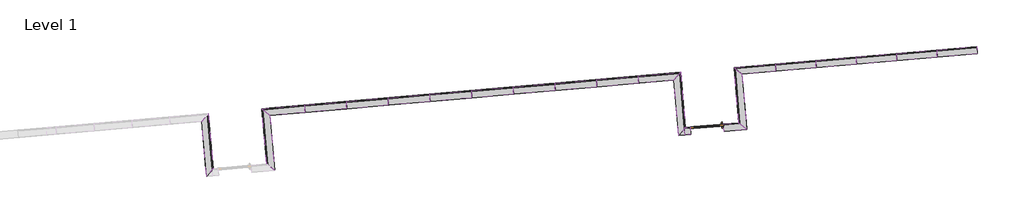
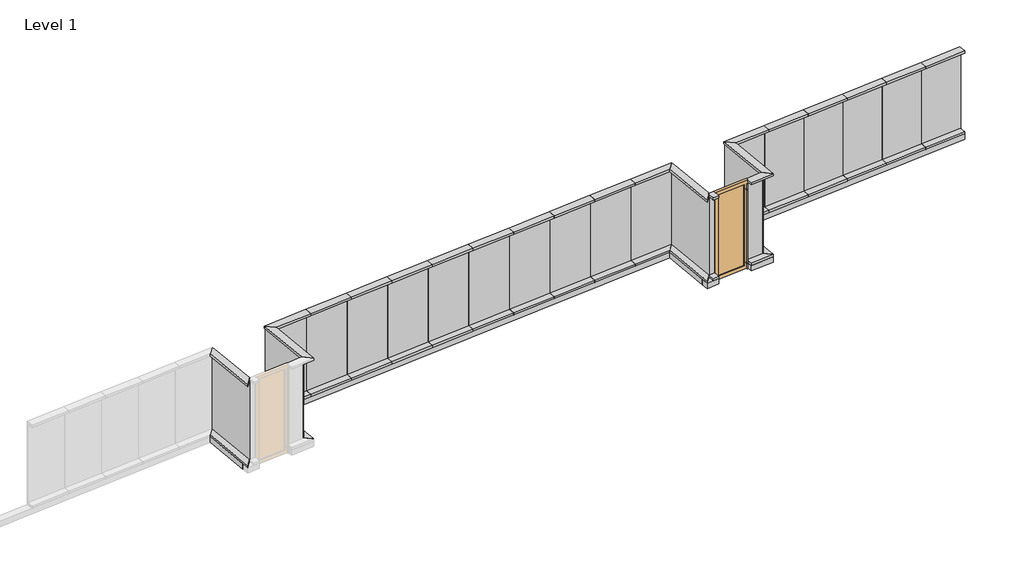
# One storey, part 2 of 2: 44 members, 30 plates, 1 door.
"""IFC4 building model written with IfcOpenShell, lengths in millimetres."""

import ifcopenshell
import ifcopenshell.guid

model = None  # the IFC model being written
_history = None  # IfcOwnerHistory: only IFC2X3 demands one
_inside = {}  # id of a spatial element -> (the spatial element, [elements in it])
_under = {}  # id of a project, library or spatial element -> (it, [spatial elements below it])
_declared = {}  # id of a project -> (the project, [libraries it declares])
_typed = {}  # id of a type object -> (the type object, [elements of that type])
_made_of = {}  # id of a material, layer set ... -> (it, [elements and type objects made of it])


def new_model(schema):
    """Start an empty IFC model of exactly this schema.

    Asked for "IFC4X3", IfcOpenShell would pick the latest addendum, in which some entities
    have other attributes; the version numbers below select the first issue.
    IFC2X3 requires an IfcOwnerHistory on every rooted entity: one is made here for all.
    """
    global model, _history
    if schema == "IFC4X3":
        model = ifcopenshell.file(schema_version=(4, 3, 0, 0))
    else:
        model = ifcopenshell.file(schema=schema)
    _inside.clear()
    _under.clear()
    _declared.clear()
    _typed.clear()
    _made_of.clear()
    _history = None
    if model.schema == "IFC2X3":
        org = make("IfcOrganization", Name="unknown")
        user = make(
            "IfcPersonAndOrganization",
            ThePerson=make("IfcPerson", FamilyName="unknown"),
            TheOrganization=org,
        )
        app = make(
            "IfcApplication",
            ApplicationDeveloper=org,
            Version="unknown",
            ApplicationFullName="unknown",
            ApplicationIdentifier="unknown",
        )
        _history = make(
            "IfcOwnerHistory",
            OwningUser=user,
            OwningApplication=app,
            ChangeAction="ADDED",
            CreationDate=0,
        )
    return model


def make(cls, **values):
    """One entity of the class cls with the attributes given. An attribute that is None is left unset."""
    return model.create_entity(
        cls, **{name: value for name, value in values.items() if value is not None}
    )


def rooted(cls, **values):
    """An entity with a GlobalId (a new one), such as an element, a storey or a relation."""
    return make(cls, GlobalId=ifcopenshell.guid.new(), OwnerHistory=_history, **values)


def si_unit(unit_type, name, prefix=None):
    """IfcSIUnit, for example si_unit("LENGTHUNIT", "METRE", prefix="MILLI")."""
    return make("IfcSIUnit", UnitType=unit_type, Prefix=prefix, Name=name)


def assignment(units):
    """IfcUnitAssignment: the units of a project."""
    return None if units is None else make("IfcUnitAssignment", Units=units)


def point(xyz):
    """IfcCartesianPoint."""
    return None if xyz is None else make("IfcCartesianPoint", Coordinates=xyz)


def direction(xyz):
    """IfcDirection."""
    return None if xyz is None else make("IfcDirection", DirectionRatios=xyz)


def frame(location, z_axis=None, x_axis=None):
    """IfcAxis2Placement3D, a coordinate frame: its origin and axes. An axis left out is left unset."""
    return make(
        "IfcAxis2Placement3D",
        Location=point(location),
        Axis=direction(z_axis),
        RefDirection=direction(x_axis),
    )


def frame_2d(location, x_axis=None):
    """IfcAxis2Placement2D, a coordinate frame in the plane: its origin and x axis."""
    return make(
        "IfcAxis2Placement2D", Location=point(location), RefDirection=direction(x_axis)
    )


def origin():
    """The frame at (0, 0, 0) with its axes left unset."""
    return frame((0.0, 0.0, 0.0))


def origin_with_axes():
    """The frame at (0, 0, 0) with the z axis (0, 0, 1) and the x axis (1, 0, 0) written out."""
    return frame((0.0, 0.0, 0.0), z_axis=(0.0, 0.0, 1.0), x_axis=(1.0, 0.0, 0.0))


def place(relative_to, where):
    """IfcLocalPlacement: puts the frame where relative to a parent placement (None: the world)."""
    return make(
        "IfcLocalPlacement", PlacementRelTo=relative_to, RelativePlacement=where
    )


def context(
    kind, dimensions, precision=None, world=None, true_north=None, identifier=None
):
    """IfcGeometricRepresentationContext, for example the 3D "Model" context."""
    return make(
        "IfcGeometricRepresentationContext",
        ContextIdentifier=identifier,
        ContextType=kind,
        CoordinateSpaceDimension=dimensions,
        Precision=precision,
        WorldCoordinateSystem=world,
        TrueNorth=true_north,
    )


def project(units=None, contexts=None):
    """IfcProject with its units and contexts."""
    return rooted(
        "IfcProject",
        Name="project",
        RepresentationContexts=contexts,
        UnitsInContext=assignment(units),
    )


def spatial(cls, under=None, at=None, **own):
    """A site, building, storey or space (cls), placed at a placement, below another one or the project."""
    s = rooted(cls, ObjectPlacement=at, **own)
    if under is not None:
        _under.setdefault(under.id(), (under, []))[1].append(s)
    return s


def polyline(points):
    """IfcPolyline through the points."""
    return make("IfcPolyline", Points=[point(p) for p in points])


def circle_curve(where, radius):
    """IfcCircle in the frame where."""
    return make("IfcCircle", Position=where, Radius=radius)


def trimmed(basis, trim1, trim2, sense, master):
    """IfcTrimmedCurve: the piece of a basis curve between two trims."""
    return make(
        "IfcTrimmedCurve",
        BasisCurve=basis,
        Trim1=trim1,
        Trim2=trim2,
        SenseAgreement=sense,
        MasterRepresentation=master,
    )


def segment(curve, same_sense, transition):
    """IfcCompositeCurveSegment."""
    return make(
        "IfcCompositeCurveSegment",
        Transition=transition,
        SameSense=same_sense,
        ParentCurve=curve,
    )


def composite_curve(segments, self_intersect=None):
    """IfcCompositeCurve: segments joined end to end."""
    return make("IfcCompositeCurve", Segments=segments, SelfIntersect=self_intersect)


def outline(outer, holes=None, kind="AREA"):
    """IfcArbitraryClosedProfileDef: a profile drawn as a closed curve; with holes, ...WithVoids."""
    if holes is None:
        return make("IfcArbitraryClosedProfileDef", ProfileType=kind, OuterCurve=outer)
    return make(
        "IfcArbitraryProfileDefWithVoids",
        ProfileType=kind,
        OuterCurve=outer,
        InnerCurves=holes,
    )


def extrude(swept, where, along, depth):
    """IfcExtrudedAreaSolid: the profile swept, set in the frame where, extruded along a direction by depth."""
    return make(
        "IfcExtrudedAreaSolid",
        SweptArea=swept,
        Position=where,
        ExtrudedDirection=direction(along),
        Depth=depth,
    )


def faces_of(points, faces, orient=None, outer=None):
    """IfcFace entities. A face is a list of loops; a loop is a list of indices into points, from 0.

    orient and outer hold one flag for each loop. By default every Orientation is true, the
    first loop of a face is its IfcFaceOuterBound and the others are IfcFaceBound.
    """
    made = []
    for i, loops in enumerate(faces):
        bounds = []
        for j, loop in enumerate(loops):
            is_outer = j == 0 if outer is None else outer[i][j]
            bounds.append(
                make(
                    "IfcFaceOuterBound" if is_outer else "IfcFaceBound",
                    Bound=make("IfcPolyLoop", Polygon=[points[k] for k in loop]),
                    Orientation=True if orient is None else orient[i][j],
                )
            )
        made.append(make("IfcFace", Bounds=bounds))
    return made


def faceted_brep(points, faces, orient=None, outer=None, voids=None):
    """IfcFacetedBrep: a solid bounded by flat faces; with voids (closed shells), ...WithVoids."""
    shared = [point(p) for p in points]
    hull = make("IfcClosedShell", CfsFaces=faces_of(shared, faces, orient, outer))
    if voids is None:
        return make("IfcFacetedBrep", Outer=hull)
    return make(
        "IfcFacetedBrepWithVoids",
        Outer=hull,
        Voids=[
            make(cls, CfsFaces=faces_of(shared, fs, o, b)) for cls, fs, o, b in voids
        ],
    )


def shape(context_of_items, identifier, shape_type, items):
    """IfcShapeRepresentation: the items that make up one representation, for example the "Body"."""
    return make(
        "IfcShapeRepresentation",
        ContextOfItems=context_of_items,
        RepresentationIdentifier=identifier,
        RepresentationType=shape_type,
        Items=items,
    )


def source(mapping_origin, context_of_items, identifier, shape_type, items):
    """IfcRepresentationMap: a shape defined once, which mapped items show again and again."""
    return make(
        "IfcRepresentationMap",
        MappingOrigin=mapping_origin,
        MappedRepresentation=shape(context_of_items, identifier, shape_type, items),
    )


def transform(
    local_origin,
    x_axis=None,
    y_axis=None,
    z_axis=None,
    scale=None,
    scale2=None,
    scale3=None,
    uniform=True,
):
    """IfcCartesianTransformationOperator3D, or its non-uniform kind. x_axis, y_axis, z_axis: its Axis1, 2, 3."""
    if uniform:
        return make(
            "IfcCartesianTransformationOperator3D",
            Axis1=direction(x_axis),
            Axis2=direction(y_axis),
            LocalOrigin=point(local_origin),
            Scale=scale,
            Axis3=direction(z_axis),
        )
    return make(
        "IfcCartesianTransformationOperator3DnonUniform",
        Axis1=direction(x_axis),
        Axis2=direction(y_axis),
        LocalOrigin=point(local_origin),
        Scale=scale,
        Axis3=direction(z_axis),
        Scale2=scale2,
        Scale3=scale3,
    )


def mapped(mapping_source, mapping_target):
    """IfcMappedItem: shows the shape of a source again, moved by a transform."""
    return make(
        "IfcMappedItem", MappingSource=mapping_source, MappingTarget=mapping_target
    )


def made_of(thing, what):
    """Note that an element or type object is made of a material, layer set ...; save() writes the relation."""
    if what is not None:
        _made_of.setdefault(what.id(), (what, []))[1].append(thing)
    return thing


def element(
    cls,
    number,
    at=None,
    inside=None,
    cuts=None,
    type_object=None,
    material=None,
    context=None,
    identifier="Body",
    shape_type=None,
    held_by="IfcProductDefinitionShape",
    body=None,
    shapes=None,
    **own,
):
    """One element of the class cls, such as IfcWall. Its Tag is "e" and its number.

    at: its placement. inside: the storey or other place that contains it. cuts: it is an
    opening in that element (IfcRelVoidsElement). A single representation is given by context,
    identifier, shape_type and body (its items); several are given by shapes. held_by: the class
    of the entity that holds the representations. save() writes the other relations.
    """
    e = rooted(cls, Tag="e%d" % number, ObjectPlacement=at, **own)
    if body is not None:
        shapes = [shape(context, identifier, shape_type, body)]
    if shapes is not None:
        e.Representation = make(held_by, Representations=shapes)
    if inside is not None:
        _inside.setdefault(inside.id(), (inside, []))[1].append(e)
    if cuts is not None:
        rooted(
            "IfcRelVoidsElement", RelatingBuildingElement=cuts, RelatedOpeningElement=e
        )
    if type_object is not None:
        _typed.setdefault(type_object.id(), (type_object, []))[1].append(e)
    return made_of(e, material)


def aggregate(whole, parts):
    """IfcRelAggregates: a whole, such as a stair, and the parts it consists of."""
    return rooted("IfcRelAggregates", RelatingObject=whole, RelatedObjects=parts)


def save(model, path):
    """Write the relations noted so far, then the file.

    IfcRelAggregates (storeys below a building ...), IfcRelContainedInSpatialStructure (elements
    in a storey), IfcRelDefinesByType, IfcRelAssociatesMaterial and IfcRelDeclares: one each for
    every whole, place, type object, material and project.
    """
    for whole, parts in _under.values():
        aggregate(whole, parts)
    for where, things in _inside.values():
        rooted(
            "IfcRelContainedInSpatialStructure",
            RelatedElements=things,
            RelatingStructure=where,
        )
    for kind, things in _typed.values():
        rooted("IfcRelDefinesByType", RelatedObjects=things, RelatingType=kind)
    for what, things in _made_of.values():
        rooted("IfcRelAssociatesMaterial", RelatedObjects=things, RelatingMaterial=what)
    for by, libraries in _declared.values():
        rooted("IfcRelDeclares", RelatingContext=by, RelatedDefinitions=libraries)
    model.write(path)


def default_exterior_e820c0bc(model_context):
    return source(origin(), model_context, "Body", "SweptSolid", [
        extrude(outline(composite_curve([segment(trimmed(circle_curve(frame_2d((2260.6, -419.4)), 15.875), [point((2260.6, -435.275))], [point((2260.6, -403.525))], False, "CARTESIAN"), True, "CONTINUOUS"), segment(trimmed(circle_curve(frame_2d((2260.6, -419.4)), 15.875), [point((2260.6, -403.525))], [point((2260.6, -435.275))], False, "CARTESIAN"), True, "CONTINUOUS")], self_intersect=False)), frame((0.0, -69.7914438, 0.0), z_axis=(0.0, 1.0, 0.0), x_axis=(0.0, 0.0, 1.0)), (0.0, 0.0, 1.0), 139.7),
        extrude(outline(composite_curve([segment(trimmed(circle_curve(frame_2d((177.8, -419.4)), 15.875), [point((177.8, -435.275))], [point((177.8, -403.525))], False, "CARTESIAN"), True, "CONTINUOUS"), segment(trimmed(circle_curve(frame_2d((177.8, -419.4)), 15.875), [point((177.8, -403.525))], [point((177.8, -435.275))], False, "CARTESIAN"), True, "CONTINUOUS")], self_intersect=False)), frame((0.0, -69.7914438, 0.0), z_axis=(0.0, 1.0, 0.0), x_axis=(0.0, 0.0, 1.0)), (0.0, 0.0, 1.0), 139.7),
        extrude(outline(composite_curve([segment(trimmed(circle_curve(frame_2d((-419.4, -69.7914438)), 15.875), [point((-435.275, -69.7914438))], [point((-403.525, -69.7914438))], False, "CARTESIAN"), True, "CONTINUOUS"), segment(trimmed(circle_curve(frame_2d((-419.4, -69.7914438)), 15.875), [point((-403.525, -69.7914438))], [point((-435.275, -69.7914438))], False, "CARTESIAN"), True, "CONTINUOUS")], self_intersect=False)), frame((0.0, 0.0, 25.4), z_axis=(0.0, 0.0, 1.0), x_axis=(1.0, 0.0, 0.0)), (0.0, 0.0, 1.0), 2387.6),
        extrude(outline(composite_curve([segment(trimmed(circle_curve(frame_2d((-419.4, 69.9085562)), 15.875), [point((-435.275, 69.9085562))], [point((-403.525, 69.9085562))], False, "CARTESIAN"), True, "CONTINUOUS"), segment(trimmed(circle_curve(frame_2d((-419.4, 69.9085562)), 15.875), [point((-403.525, 69.9085562))], [point((-435.275, 69.9085562))], False, "CARTESIAN"), True, "CONTINUOUS")], self_intersect=False)), frame((0.0, 0.0, 25.4), z_axis=(0.0, 0.0, 1.0), x_axis=(1.0, 0.0, 0.0)), (0.0, 0.0, 1.0), 2387.6),
        extrude(outline(polyline([(2500.0, -457.5), (0.0, -457.5), (0.0, 457.5), (2500.0, 457.5), (2500.0, -457.5)]), holes=[polyline([(2398.4, -355.9), (2398.4, 355.9), (101.6, 355.9), (101.6, -355.9), (2398.4, -355.9)])]), frame((0.0, -28.5164438, 0.0), z_axis=(0.0, 1.0, 0.0), x_axis=(0.0, 0.0, 1.0)), (0.0, 0.0, 1.0), 57.15),
        extrude(outline(polyline([(355.9, -6.2914438), (-355.9, -6.2914438), (-355.9, 6.4085562), (355.9, 6.4085562), (355.9, -6.2914438)])), frame((0.0, 0.0, 101.6), z_axis=(0.0, 0.0, 1.0), x_axis=(1.0, 0.0, 0.0)), (0.0, 0.0, 1.0), 2296.8),
    ])


def member_def36c46(model_context):
    return source(origin(), model_context, "Body", "SweptSolid", [
        extrude(outline(polyline([(-174.2, 0.0), (25.8, 0.0), (25.8, -426.9401786), (-174.2, -626.9401786), (-174.2, 0.0)])), frame((-31.75, 0.0, 0.0), z_axis=(1.0, 0.0, 0.0), x_axis=(0.0, 1.0, 0.0)), (0.0, 0.0, 1.0), 63.5),
    ])


def member_95042afc(model_context):
    return source(origin(), model_context, "Body", "SweptSolid", [
        extrude(outline(polyline([(-174.2, -174.2), (25.8, 25.8), (25.8, -1109.5992677), (-174.2, -1109.5992677), (-174.2, -174.2)])), frame((-31.75, 0.0, 0.0), z_axis=(1.0, 0.0, 0.0), x_axis=(0.0, 1.0, 0.0)), (0.0, 0.0, 1.0), 63.5),
    ])


def member_71f39aad(model_context):
    return source(origin(), model_context, "Body", "SweptSolid", [
        extrude(outline(polyline([(-174.2, 0.0), (25.8, 0.0), (25.8, -426.9401786), (-174.2, -626.9401786), (-174.2, 0.0)])), frame((-63.5, 0.0, 0.0), z_axis=(1.0, 0.0, 0.0), x_axis=(0.0, 1.0, 0.0)), (0.0, 0.0, 1.0), 63.5),
    ])


def member_270fadcb(model_context):
    return source(origin(), model_context, "Body", "SweptSolid", [
        extrude(outline(polyline([(-174.2, -174.2), (25.8, 25.8), (25.8, -1109.5992677), (-174.2, -1109.5992677), (-174.2, -174.2)])), frame((-63.5, 0.0, 0.0), z_axis=(1.0, 0.0, 0.0), x_axis=(0.0, 1.0, 0.0)), (0.0, 0.0, 1.0), 63.5),
    ])


def member_0222010d(model_context):
    return source(origin(), model_context, "Body", "SweptSolid", [
        extrude(outline(polyline([(31.75, 25.8), (31.75, -174.2), (-31.75, -174.2), (-31.75, 25.8), (31.75, 25.8)])), frame((0.0, 0.0, -156.2598214), z_axis=(0.0, 0.0, 1.0), x_axis=(1.0, 0.0, 0.0)), (0.0, 0.0, 1.0), 156.2598214),
    ])


def member_e4c5f514(model_context):
    return source(origin(), model_context, "Body", "SweptSolid", [
        extrude(outline(polyline([(-174.2, 0.0), (25.8, 0.0), (25.8, -1173.4), (-174.2, -973.4), (-174.2, 0.0)])), frame((-31.75, 0.0, 0.0), z_axis=(1.0, 0.0, 0.0), x_axis=(0.0, 1.0, 0.0)), (0.0, 0.0, 1.0), 63.5),
    ])


def member_3d75a8a9(model_context):
    return source(origin(), model_context, "Body", "SweptSolid", [
        extrude(outline(polyline([(0.0, 25.8), (0.0, -174.2), (-63.5, -174.2), (-63.5, 25.8), (0.0, 25.8)])), frame((0.0, 0.0, -156.2598214), z_axis=(0.0, 0.0, 1.0), x_axis=(1.0, 0.0, 0.0)), (0.0, 0.0, 1.0), 156.2598214),
    ])


def member_8096bdd5(model_context):
    return source(origin(), model_context, "Body", "SweptSolid", [
        extrude(outline(polyline([(-174.2, 0.0), (25.8, 0.0), (25.8, -1173.4), (-174.2, -973.4), (-174.2, 0.0)])), frame((-63.5, 0.0, 0.0), z_axis=(1.0, 0.0, 0.0), x_axis=(0.0, 1.0, 0.0)), (0.0, 0.0, 1.0), 63.5),
    ])


def member_b3f97dd7(model_context):
    return source(origin(), model_context, "Body", "SweptSolid", [
        extrude(outline(polyline([(-174.2, -174.2), (25.8, 25.8), (25.8, -1147.6), (-174.2, -1147.6), (-174.2, -174.2)])), frame((-31.75, 0.0, 0.0), z_axis=(1.0, 0.0, 0.0), x_axis=(0.0, 1.0, 0.0)), (0.0, 0.0, 1.0), 63.5),
    ])


def member_307d412c(model_context):
    return source(origin(), model_context, "Body", "SweptSolid", [
        extrude(outline(polyline([(-174.2, -174.2), (25.8, 25.8), (25.8, -1147.6), (-174.2, -1147.6), (-174.2, -174.2)])), frame((-63.5, 0.0, 0.0), z_axis=(1.0, 0.0, 0.0), x_axis=(0.0, 1.0, 0.0)), (0.0, 0.0, 1.0), 63.5),
    ])


def member_789bff25(model_context):
    return source(origin(), model_context, "Body", "SweptSolid", [
        extrude(outline(polyline([(31.75, 25.8), (31.75, -174.2), (-31.75, -174.2), (-31.75, 25.8), (31.75, 25.8)])), frame((0.0, 0.0, -1109.5992677), z_axis=(0.0, 0.0, 1.0), x_axis=(1.0, 0.0, 0.0)), (0.0, 0.0, 1.0), 1109.5992677),
    ])


def member_13d36ba2(model_context):
    return source(origin(), model_context, "Body", "SweptSolid", [
        extrude(outline(polyline([(0.0, 25.8), (0.0, -174.2), (-63.5, -174.2), (-63.5, 25.8), (0.0, 25.8)])), frame((0.0, 0.0, -1109.5992677), z_axis=(0.0, 0.0, 1.0), x_axis=(1.0, 0.0, 0.0)), (0.0, 0.0, 1.0), 1109.5992677),
    ])


def member_662f2ac5(model_context):
    return source(origin(), model_context, "Body", "SweptSolid", [
        extrude(outline(polyline([(31.75, 25.8), (31.75, -174.2), (-31.75, -174.2), (-31.75, 25.8), (31.75, 25.8)])), frame((0.0, 0.0, -1147.6), z_axis=(0.0, 0.0, 1.0), x_axis=(1.0, 0.0, 0.0)), (0.0, 0.0, 1.0), 1147.6),
    ])


def member_7f567d4a(model_context):
    return source(origin(), model_context, "Body", "SweptSolid", [
        extrude(outline(polyline([(0.0, 25.8), (0.0, -174.2), (-63.5, -174.2), (-63.5, 25.8), (0.0, 25.8)])), frame((0.0, 0.0, -1147.6), z_axis=(0.0, 0.0, 1.0), x_axis=(1.0, 0.0, 0.0)), (0.0, 0.0, 1.0), 1147.6),
    ])


def member_0615c0a7(model_context):
    return source(origin(), model_context, "Body", "SweptSolid", [
        extrude(outline(polyline([(-174.2, 174.2), (25.8, -25.8), (25.8, -1546.8), (-174.2, -1346.8), (-174.2, 174.2)])), frame((-31.75, 0.0, 0.0), z_axis=(1.0, 0.0, 0.0), x_axis=(0.0, 1.0, 0.0)), (0.0, 0.0, 1.0), 63.5),
    ])


def member_34f72601(model_context):
    return source(origin(), model_context, "Body", "SweptSolid", [
        extrude(outline(polyline([(-174.2, 174.2), (25.8, -25.8), (25.8, -1546.8), (-174.2, -1346.8), (-174.2, 174.2)])), frame((-63.5, 0.0, 0.0), z_axis=(1.0, 0.0, 0.0), x_axis=(0.0, 1.0, 0.0)), (0.0, 0.0, 1.0), 63.5),
    ])


def member_718ea3aa(model_context):
    return source(origin(), model_context, "Body", "SweptSolid", [
        extrude(outline(polyline([(-25.8, -25.8), (174.2, 174.2), (174.2, -1346.8), (-25.8, -1546.8), (-25.8, -25.8)])), frame((-31.75, 0.0, 0.0), z_axis=(1.0, 0.0, 0.0), x_axis=(0.0, 1.0, 0.0)), (0.0, 0.0, 1.0), 63.5),
    ])


def member_6a401516(model_context):
    return source(origin(), model_context, "Body", "SweptSolid", [
        extrude(outline(polyline([(-25.8, -25.8), (174.2, 174.2), (174.2, -1346.8), (-25.8, -1546.8), (-25.8, -25.8)])), frame((-63.5, 0.0, 0.0), z_axis=(1.0, 0.0, 0.0), x_axis=(0.0, 1.0, 0.0)), (0.0, 0.0, 1.0), 63.5),
    ])


def member_3794b861(model_context):
    return source(origin(), model_context, "Body", "SweptSolid", [
        extrude(outline(polyline([(-25.8, 25.8), (174.2, -174.2), (174.2, -1693.9690717), (-25.8, -1493.9690717), (-25.8, 25.8)])), frame((-31.75, 0.0, 0.0), z_axis=(1.0, 0.0, 0.0), x_axis=(0.0, 1.0, 0.0)), (0.0, 0.0, 1.0), 63.5),
    ])


def member_8f4781e3(model_context):
    return source(origin(), model_context, "Body", "SweptSolid", [
        extrude(outline(polyline([(-25.8, 25.8), (174.2, -174.2), (174.2, -1693.9690717), (-25.8, -1493.9690717), (-25.8, 25.8)])), frame((-63.5, 0.0, 0.0), z_axis=(1.0, 0.0, 0.0), x_axis=(0.0, 1.0, 0.0)), (0.0, 0.0, 1.0), 63.5),
    ])


def member_f1630880(model_context):
    return source(origin(), model_context, "Body", "SweptSolid", [
        extrude(outline(polyline([(-174.2, -174.2), (25.8, 25.8), (25.8, -1493.9690717), (-174.2, -1693.9690717), (-174.2, -174.2)])), frame((-31.75, 0.0, 0.0), z_axis=(1.0, 0.0, 0.0), x_axis=(0.0, 1.0, 0.0)), (0.0, 0.0, 1.0), 63.5),
    ])


def member_3661cfd8(model_context):
    return source(origin(), model_context, "Body", "SweptSolid", [
        extrude(outline(polyline([(-174.2, -174.2), (25.8, 25.8), (25.8, -1493.9690717), (-174.2, -1693.9690717), (-174.2, -174.2)])), frame((-63.5, 0.0, 0.0), z_axis=(1.0, 0.0, 0.0), x_axis=(0.0, 1.0, 0.0)), (0.0, 0.0, 1.0), 63.5),
    ])


def plate_4318dd4a(model_context):
    return source(origin(), model_context, "Body", "SweptSolid", [
        extrude(outline(polyline([(760.5, -1.95), (-760.5, -1.95), (-760.5, 11.55), (760.5, 11.55), (760.5, -1.95)])), origin_with_axes(), (0.0, 0.0, 1.0), 2223.15),
    ])


def plate_a80c2198(model_context):
    return source(origin(), model_context, "Body", "SweptSolid", [
        extrude(outline(polyline([(760.5, -11.55), (-760.5, -11.55), (-760.5, 1.95), (760.5, 1.95), (760.5, -11.55)])), origin_with_axes(), (0.0, 0.0, 1.0), 2223.15),
    ])


def plate_94f217d6(model_context):
    return source(origin(), model_context, "Body", "SweptSolid", [
        extrude(outline(polyline([(759.8845358, -11.55), (-759.8845358, -11.55), (-759.8845358, 1.95), (759.8845358, 1.95), (759.8845358, -11.55)])), origin_with_axes(), (0.0, 0.0, 1.0), 2223.15),
    ])


def plate_d7d9435c(model_context):
    return source(origin(), model_context, "Body", "SweptSolid", [
        extrude(outline(polyline([(573.8, -11.55), (-573.8, -11.55), (-573.8, 1.95), (573.8, 1.95), (573.8, -11.55)])), origin_with_axes(), (0.0, 0.0, 1.0), 2223.15),
    ])


def plate_6323b291(model_context):
    return source(origin(), model_context, "Body", "SweptSolid", [
        extrude(outline(polyline([(759.8845358, -1.95), (-759.8845358, -1.95), (-759.8845358, 11.55), (759.8845358, 11.55), (759.8845358, -1.95)])), origin_with_axes(), (0.0, 0.0, 1.0), 2223.15),
    ])


def plate_8cff90b3(model_context):
    return source(origin(), model_context, "Body", "SweptSolid", [
        extrude(outline(polyline([(554.7996338, -11.55), (-554.7996338, -11.55), (-554.7996338, 1.95), (554.7996338, 1.95), (554.7996338, -11.55)])), origin_with_axes(), (0.0, 0.0, 1.0), 2223.15),
    ])


def plate_35f4f130(model_context):
    return source(origin(), model_context, "Body", "SweptSolid", [
        extrude(outline(polyline([(226.3700893, -11.55), (-226.3700893, -11.55), (-226.3700893, 1.95), (226.3700893, 1.95), (226.3700893, -11.55)])), origin_with_axes(), (0.0, 0.0, 1.0), 2223.15),
    ])


def plate_b3db7195(model_context):
    return source(origin(), model_context, "Body", "SweptSolid", [
        extrude(outline(polyline([(78.1299107, -11.55), (-78.1299107, -11.55), (-78.1299107, 1.95), (78.1299107, 1.95), (78.1299107, -11.55)])), origin_with_axes(), (0.0, 0.0, 1.0), 2223.15),
    ])


model = new_model("IFC4")

# Units and contexts
model_context = context("Model", 3, world=origin())
ifc_project = project(units=[si_unit("LENGTHUNIT", "METRE", prefix="MILLI")], contexts=[model_context])

# Site, building, storey
site = spatial("IfcSite", under=ifc_project)
building = spatial("IfcBuilding", under=site)
storey = spatial("IfcBuildingStorey", under=building, Name="Level 1", Elevation=0.0)

# Door
placement = place(None, origin())
default_exterior_shape = default_exterior_e820c0bc(model_context)
element("IfcDoor", 1, ObjectType="Default - Exterior", at=placement, inside=storey, context=model_context, shape_type="MappedRepresentation", body=[
    mapped(default_exterior_shape, transform((34814.8407944, -43406.4636732, 0.0), x_axis=(-0.9961946980917455, -0.0871557427476584, 0.0), y_axis=(0.0871557427476584, -0.9961946980917455, 0.0), z_axis=(0.0, 0.0, 1.0))),
])

# Members
member_shape = member_def36c46(model_context)
element("IfcMember", 2, ObjectType="Rectangular Mullion : 2 1/2\" x 7 1/2\" - Snap Cap (Club)", at=placement, inside=storey, context=model_context, shape_type="MappedRepresentation", body=[
    mapped(member_shape, transform((35270.5998688, -43366.5899208, 181.6), x_axis=(0.0, 0.0, 1.0), y_axis=(-0.08715574274765839, 0.9961946980917455, 0.0), z_axis=(-0.9961946980917455, -0.08715574274765839, 0.0))),
])
member_2_shape = member_95042afc(model_context)
element("IfcMember", 3, ObjectType="Rectangular Mullion : 2 1/2\" x 7 1/2\" - Snap Cap (Club)", at=placement, inside=storey, context=model_context, shape_type="MappedRepresentation", body=[
    mapped(member_2_shape, transform((35589.0533496, -41811.9188785, 181.6), x_axis=(0.0, 0.0, 1.0), y_axis=(-0.08715574274765402, 0.9961946980917459, 0.0), z_axis=(-0.9961946980917459, -0.08715574274765402, 0.0))),
])
member_3_shape = member_71f39aad(model_context)
element("IfcMember", 4, ObjectType="Rectangular Mullion : 2 1/2\" x 7 1/2\" - Snap Cap (Club)", at=placement, inside=storey, context=model_context, shape_type="MappedRepresentation", body=[
    mapped(member_3_shape, transform((35270.5998688, -43366.5899208, 2500.0), x_axis=(0.0, 0.0, 1.0), y_axis=(-0.08715574274765839, 0.9961946980917455, 0.0), z_axis=(-0.9961946980917455, -0.08715574274765839, 0.0))),
])
member_4_shape = member_270fadcb(model_context)
element("IfcMember", 5, ObjectType="Rectangular Mullion : 2 1/2\" x 7 1/2\" - Snap Cap (Club)", at=placement, inside=storey, context=model_context, shape_type="MappedRepresentation", body=[
    mapped(member_4_shape, transform((35589.0533496, -41811.9188785, 2500.0), x_axis=(0.0, 0.0, 1.0), y_axis=(-0.08715574274765402, 0.9961946980917459, 0.0), z_axis=(-0.9961946980917459, -0.08715574274765402, 0.0))),
])
member_5_shape = member_0222010d(model_context)
element("IfcMember", 6, ObjectType="Rectangular Mullion : 2 1/2\" x 7 1/2\" - Snap Cap (Club)", at=placement, inside=storey, context=model_context, shape_type="MappedRepresentation", body=[
    mapped(member_5_shape, transform((34203.4165144, -43459.9563663, 181.6), x_axis=(0.0, 0.0, 1.0), y_axis=(-0.08715574274766655, 0.9961946980917449, 0.0), z_axis=(-0.9961946980917447, -0.08715574274766653, 0.0))),
])
member_6_shape = member_e4c5f514(model_context)
element("IfcMember", 7, ObjectType="Rectangular Mullion : 2 1/2\" x 7 1/2\" - Snap Cap (Club)", at=placement, inside=storey, context=model_context, shape_type="MappedRepresentation", body=[
    mapped(member_6_shape, transform((32927.6195942, -42044.7641608, 181.6), x_axis=(0.0, 0.0, 1.0), y_axis=(-0.08715574274764666, 0.9961946980917465, 0.0), z_axis=(-0.9961946980917465, -0.08715574274764666, 0.0))),
])
member_7_shape = member_3d75a8a9(model_context)
element("IfcMember", 8, ObjectType="Rectangular Mullion : 2 1/2\" x 7 1/2\" - Snap Cap (Club)", at=placement, inside=storey, context=model_context, shape_type="MappedRepresentation", body=[
    mapped(member_7_shape, transform((34203.4165144, -43459.9563663, 2500.0), x_axis=(0.0, 0.0, 1.0), y_axis=(-0.08715574274766655, 0.9961946980917449, 0.0), z_axis=(-0.9961946980917447, -0.08715574274766653, 0.0))),
])
member_8_shape = member_8096bdd5(model_context)
element("IfcMember", 9, ObjectType="Rectangular Mullion : 2 1/2\" x 7 1/2\" - Snap Cap (Club)", at=placement, inside=storey, context=model_context, shape_type="MappedRepresentation", body=[
    mapped(member_8_shape, transform((32927.6195942, -42044.7641608, 2500.0), x_axis=(0.0, 0.0, 1.0), y_axis=(-0.08715574274764666, 0.9961946980917465, 0.0), z_axis=(-0.9961946980917465, -0.08715574274764666, 0.0))),
])
member_9_shape = member_b3f97dd7(model_context)
element("IfcMember", 10, ObjectType="Rectangular Mullion : 2 1/2\" x 7 1/2\" - Snap Cap (Club)", at=placement, inside=storey, context=model_context, shape_type="MappedRepresentation", body=[
    mapped(member_9_shape, transform((22638.5222744, -42944.9435342, 181.6), x_axis=(0.0, 0.0, 1.0), y_axis=(-0.08715574274764731, 0.9961946980917465, 0.0), z_axis=(-0.9961946980917465, -0.08715574274764731, 0.0))),
])
member_10_shape = member_307d412c(model_context)
element("IfcMember", 11, ObjectType="Rectangular Mullion : 2 1/2\" x 7 1/2\" - Snap Cap (Club)", at=placement, inside=storey, context=model_context, shape_type="MappedRepresentation", body=[
    mapped(member_10_shape, transform((22638.5222744, -42944.9435342, 2500.0), x_axis=(0.0, 0.0, 1.0), y_axis=(-0.08715574274764731, 0.9961946980917465, 0.0), z_axis=(-0.9961946980917465, -0.08715574274764731, 0.0))),
])
member_11_shape = member_789bff25(model_context)
element("IfcMember", 12, ObjectType="Rectangular Mullion : 2 1/2\" x 7 1/2\" - Snap Cap (Club)", at=placement, inside=storey, context=model_context, shape_type="MappedRepresentation", body=[
    mapped(member_11_shape, transform((38905.184072, -41521.7950335, 181.6), x_axis=(0.0, 0.0, 1.0), y_axis=(-0.08715574274764627, 0.9961946980917465, 0.0), z_axis=(-0.9961946980917465, -0.08715574274764627, 0.0))),
])
element("IfcMember", 13, ObjectType="Rectangular Mullion : 2 1/2\" x 7 1/2\" - Snap Cap (Club)", at=placement, inside=storey, context=model_context, shape_type="MappedRepresentation", body=[
    mapped(member_11_shape, transform((40010.5609795, -41425.0870852, 181.6), x_axis=(0.0, 0.0, 1.0), y_axis=(-0.08715574274765402, 0.9961946980917459, 0.0), z_axis=(-0.9961946980917459, -0.08715574274765402, 0.0))),
])
element("IfcMember", 14, ObjectType="Rectangular Mullion : 2 1/2\" x 7 1/2\" - Snap Cap (Club)", at=placement, inside=storey, context=model_context, shape_type="MappedRepresentation", body=[
    mapped(member_11_shape, transform((37799.8071645, -41618.5029819, 181.6), x_axis=(0.0, 0.0, 1.0), y_axis=(-0.0871557427476537, 0.996194698091746, 0.0), z_axis=(-0.9961946980917459, -0.08715574274765368, 0.0))),
])
element("IfcMember", 15, ObjectType="Rectangular Mullion : 2 1/2\" x 7 1/2\" - Snap Cap (Club)", at=placement, inside=storey, context=model_context, shape_type="MappedRepresentation", body=[
    mapped(member_11_shape, transform((36694.4302571, -41715.2109302, 181.6), x_axis=(0.0, 0.0, 1.0), y_axis=(-0.08715574274764627, 0.9961946980917465, 0.0), z_axis=(-0.9961946980917465, -0.08715574274764627, 0.0))),
])
element("IfcMember", 16, ObjectType="Rectangular Mullion : 2 1/2\" x 7 1/2\" - Snap Cap (Club)", at=placement, inside=storey, context=model_context, shape_type="MappedRepresentation", body=[
    mapped(member_11_shape, transform((41115.937887, -41328.3791369, 181.6), x_axis=(0.0, 0.0, 1.0), y_axis=(-0.08715574274764627, 0.9961946980917465, 0.0), z_axis=(-0.9961946980917465, -0.08715574274764627, 0.0))),
])
member_12_shape = member_13d36ba2(model_context)
element("IfcMember", 17, ObjectType="Rectangular Mullion : 2 1/2\" x 7 1/2\" - Snap Cap (Club)", at=placement, inside=storey, context=model_context, shape_type="MappedRepresentation", body=[
    mapped(member_12_shape, transform((41115.937887, -41328.3791369, 2500.0), x_axis=(0.0, 0.0, 1.0), y_axis=(-0.08715574274764627, 0.9961946980917465, 0.0), z_axis=(-0.9961946980917465, -0.08715574274764627, 0.0))),
])
element("IfcMember", 18, ObjectType="Rectangular Mullion : 2 1/2\" x 7 1/2\" - Snap Cap (Club)", at=placement, inside=storey, context=model_context, shape_type="MappedRepresentation", body=[
    mapped(member_12_shape, transform((36694.4302571, -41715.2109302, 2500.0), x_axis=(0.0, 0.0, 1.0), y_axis=(-0.08715574274764627, 0.9961946980917465, 0.0), z_axis=(-0.9961946980917465, -0.08715574274764627, 0.0))),
])
element("IfcMember", 19, ObjectType="Rectangular Mullion : 2 1/2\" x 7 1/2\" - Snap Cap (Club)", at=placement, inside=storey, context=model_context, shape_type="MappedRepresentation", body=[
    mapped(member_12_shape, transform((37799.8071645, -41618.5029819, 2500.0), x_axis=(0.0, 0.0, 1.0), y_axis=(-0.0871557427476537, 0.996194698091746, 0.0), z_axis=(-0.9961946980917459, -0.08715574274765368, 0.0))),
])
element("IfcMember", 20, ObjectType="Rectangular Mullion : 2 1/2\" x 7 1/2\" - Snap Cap (Club)", at=placement, inside=storey, context=model_context, shape_type="MappedRepresentation", body=[
    mapped(member_12_shape, transform((40010.5609795, -41425.0870852, 2500.0), x_axis=(0.0, 0.0, 1.0), y_axis=(-0.08715574274765402, 0.9961946980917459, 0.0), z_axis=(-0.9961946980917459, -0.08715574274765402, 0.0))),
])
element("IfcMember", 21, ObjectType="Rectangular Mullion : 2 1/2\" x 7 1/2\" - Snap Cap (Club)", at=placement, inside=storey, context=model_context, shape_type="MappedRepresentation", body=[
    mapped(member_12_shape, transform((38905.184072, -41521.7950335, 2500.0), x_axis=(0.0, 0.0, 1.0), y_axis=(-0.08715574274764627, 0.9961946980917465, 0.0), z_axis=(-0.9961946980917465, -0.08715574274764627, 0.0))),
])
member_13_shape = member_662f2ac5(model_context)
element("IfcMember", 22, ObjectType="Rectangular Mullion : 2 1/2\" x 7 1/2\" - Snap Cap (Club)", at=placement, inside=storey, context=model_context, shape_type="MappedRepresentation", body=[
    mapped(member_13_shape, transform((24924.9883454, -42744.9036735, 181.6), x_axis=(0.0, 0.0, 1.0), y_axis=(-0.08715574274764731, 0.9961946980917465, 0.0), z_axis=(-0.9961946980917465, -0.08715574274764731, 0.0))),
])
element("IfcMember", 23, ObjectType="Rectangular Mullion : 2 1/2\" x 7 1/2\" - Snap Cap (Club)", at=placement, inside=storey, context=model_context, shape_type="MappedRepresentation", body=[
    mapped(member_13_shape, transform((28354.687452, -42444.8438823, 181.6), x_axis=(0.0, 0.0, 1.0), y_axis=(-0.08715574274764731, 0.9961946980917465, 0.0), z_axis=(-0.9961946980917465, -0.08715574274764731, 0.0))),
])
element("IfcMember", 24, ObjectType="Rectangular Mullion : 2 1/2\" x 7 1/2\" - Snap Cap (Club)", at=placement, inside=storey, context=model_context, shape_type="MappedRepresentation", body=[
    mapped(member_13_shape, transform((29497.9204876, -42344.823952, 181.6), x_axis=(0.0, 0.0, 1.0), y_axis=(-0.08715574274764765, 0.9961946980917464, 0.0), z_axis=(-0.9961946980917464, -0.08715574274764765, 0.0))),
])
element("IfcMember", 25, ObjectType="Rectangular Mullion : 2 1/2\" x 7 1/2\" - Snap Cap (Club)", at=placement, inside=storey, context=model_context, shape_type="MappedRepresentation", body=[
    mapped(member_13_shape, transform((27211.4544165, -42544.8638127, 181.6), x_axis=(0.0, 0.0, 1.0), y_axis=(-0.08715574274764731, 0.9961946980917465, 0.0), z_axis=(-0.9961946980917465, -0.08715574274764731, 0.0))),
])
element("IfcMember", 26, ObjectType="Rectangular Mullion : 2 1/2\" x 7 1/2\" - Snap Cap (Club)", at=placement, inside=storey, context=model_context, shape_type="MappedRepresentation", body=[
    mapped(member_13_shape, transform((31784.3865586, -42144.7840912, 181.6), x_axis=(0.0, 0.0, 1.0), y_axis=(-0.08715574274764797, 0.9961946980917464, 0.0), z_axis=(-0.9961946980917464, -0.08715574274764797, 0.0))),
])
element("IfcMember", 27, ObjectType="Rectangular Mullion : 2 1/2\" x 7 1/2\" - Snap Cap (Club)", at=placement, inside=storey, context=model_context, shape_type="MappedRepresentation", body=[
    mapped(member_13_shape, transform((26068.221381, -42644.8837431, 181.6), x_axis=(0.0, 0.0, 1.0), y_axis=(-0.08715574274764731, 0.9961946980917465, 0.0), z_axis=(-0.9961946980917465, -0.08715574274764731, 0.0))),
])
element("IfcMember", 28, ObjectType="Rectangular Mullion : 2 1/2\" x 7 1/2\" - Snap Cap (Club)", at=placement, inside=storey, context=model_context, shape_type="MappedRepresentation", body=[
    mapped(member_13_shape, transform((30641.1535231, -42244.8040216, 181.6), x_axis=(0.0, 0.0, 1.0), y_axis=(-0.08715574274764731, 0.9961946980917465, 0.0), z_axis=(-0.9961946980917465, -0.08715574274764731, 0.0))),
])
element("IfcMember", 29, ObjectType="Rectangular Mullion : 2 1/2\" x 7 1/2\" - Snap Cap (Club)", at=placement, inside=storey, context=model_context, shape_type="MappedRepresentation", body=[
    mapped(member_13_shape, transform((23781.7553099, -42844.9236039, 181.6), x_axis=(0.0, 0.0, 1.0), y_axis=(-0.08715574274764698, 0.9961946980917465, 0.0), z_axis=(-0.9961946980917465, -0.08715574274764698, 0.0))),
])
member_14_shape = member_7f567d4a(model_context)
element("IfcMember", 30, ObjectType="Rectangular Mullion : 2 1/2\" x 7 1/2\" - Snap Cap (Club)", at=placement, inside=storey, context=model_context, shape_type="MappedRepresentation", body=[
    mapped(member_14_shape, transform((26068.221381, -42644.8837431, 2500.0), x_axis=(0.0, 0.0, 1.0), y_axis=(-0.08715574274764698, 0.9961946980917465, 0.0), z_axis=(-0.9961946980917465, -0.08715574274764698, 0.0))),
])
element("IfcMember", 31, ObjectType="Rectangular Mullion : 2 1/2\" x 7 1/2\" - Snap Cap (Club)", at=placement, inside=storey, context=model_context, shape_type="MappedRepresentation", body=[
    mapped(member_14_shape, transform((24924.9883454, -42744.9036735, 2500.0), x_axis=(0.0, 0.0, 1.0), y_axis=(-0.08715574274764765, 0.9961946980917464, 0.0), z_axis=(-0.9961946980917464, -0.08715574274764765, 0.0))),
])
element("IfcMember", 32, ObjectType="Rectangular Mullion : 2 1/2\" x 7 1/2\" - Snap Cap (Club)", at=placement, inside=storey, context=model_context, shape_type="MappedRepresentation", body=[
    mapped(member_14_shape, transform((27211.4544165, -42544.8638127, 2500.0), x_axis=(0.0, 0.0, 1.0), y_axis=(-0.08715574274764731, 0.9961946980917465, 0.0), z_axis=(-0.9961946980917465, -0.08715574274764731, 0.0))),
])
element("IfcMember", 33, ObjectType="Rectangular Mullion : 2 1/2\" x 7 1/2\" - Snap Cap (Club)", at=placement, inside=storey, context=model_context, shape_type="MappedRepresentation", body=[
    mapped(member_14_shape, transform((29497.9204876, -42344.823952, 2500.0), x_axis=(0.0, 0.0, 1.0), y_axis=(-0.08715574274764797, 0.9961946980917464, 0.0), z_axis=(-0.9961946980917464, -0.08715574274764797, 0.0))),
])
element("IfcMember", 34, ObjectType="Rectangular Mullion : 2 1/2\" x 7 1/2\" - Snap Cap (Club)", at=placement, inside=storey, context=model_context, shape_type="MappedRepresentation", body=[
    mapped(member_14_shape, transform((23781.7553099, -42844.9236039, 2500.0), x_axis=(0.0, 0.0, 1.0), y_axis=(-0.08715574274764698, 0.9961946980917465, 0.0), z_axis=(-0.9961946980917465, -0.08715574274764698, 0.0))),
])
element("IfcMember", 35, ObjectType="Rectangular Mullion : 2 1/2\" x 7 1/2\" - Snap Cap (Club)", at=placement, inside=storey, context=model_context, shape_type="MappedRepresentation", body=[
    mapped(member_14_shape, transform((28354.687452, -42444.8438823, 2500.0), x_axis=(0.0, 0.0, 1.0), y_axis=(-0.08715574274764731, 0.9961946980917465, 0.0), z_axis=(-0.9961946980917465, -0.08715574274764731, 0.0))),
])
element("IfcMember", 36, ObjectType="Rectangular Mullion : 2 1/2\" x 7 1/2\" - Snap Cap (Club)", at=placement, inside=storey, context=model_context, shape_type="MappedRepresentation", body=[
    mapped(member_14_shape, transform((30641.1535231, -42244.8040216, 2500.0), x_axis=(0.0, 0.0, 1.0), y_axis=(-0.08715574274764698, 0.9961946980917465, 0.0), z_axis=(-0.9961946980917465, -0.08715574274764698, 0.0))),
])
element("IfcMember", 37, ObjectType="Rectangular Mullion : 2 1/2\" x 7 1/2\" - Snap Cap (Club)", at=placement, inside=storey, context=model_context, shape_type="MappedRepresentation", body=[
    mapped(member_14_shape, transform((31784.3865586, -42144.7840912, 2500.0), x_axis=(0.0, 0.0, 1.0), y_axis=(-0.08715574274764797, 0.9961946980917464, 0.0), z_axis=(-0.9961946980917464, -0.08715574274764797, 0.0))),
])
member_15_shape = member_0615c0a7(model_context)
element("IfcMember", 38, ObjectType="Rectangular Mullion : 2 1/2\" x 7 1/2\" - Snap Cap (Club)", at=placement, inside=storey, context=model_context, shape_type="MappedRepresentation", body=[
    mapped(member_15_shape, transform((35721.6172343, -43327.1310143, 181.6), x_axis=(0.0, 0.0, 1.0), y_axis=(-0.9961946980917459, -0.08715574274765404, 0.0), z_axis=(0.08715574274765403, -0.9961946980917458, 0.0))),
])
member_16_shape = member_34f72601(model_context)
element("IfcMember", 39, ObjectType="Rectangular Mullion : 2 1/2\" x 7 1/2\" - Snap Cap (Club)", at=placement, inside=storey, context=model_context, shape_type="MappedRepresentation", body=[
    mapped(member_16_shape, transform((35721.6172343, -43327.1310143, 2500.0), x_axis=(0.0, 0.0, 1.0), y_axis=(-0.9961946980917459, -0.08715574274765404, 0.0), z_axis=(0.08715574274765403, -0.9961946980917458, 0.0))),
])
member_17_shape = member_718ea3aa(model_context)
element("IfcMember", 40, ObjectType="Rectangular Mullion : 2 1/2\" x 7 1/2\" - Snap Cap (Club)", at=placement, inside=storey, context=model_context, shape_type="MappedRepresentation", body=[
    mapped(member_17_shape, transform((34203.4165144, -43459.9563663, 181.6), x_axis=(0.0, 0.0, 1.0), y_axis=(-0.996194698091746, -0.08715574274765325, 0.0), z_axis=(0.08715574274765325, -0.996194698091746, 0.0))),
])
member_18_shape = member_6a401516(model_context)
element("IfcMember", 41, ObjectType="Rectangular Mullion : 2 1/2\" x 7 1/2\" - Snap Cap (Club)", at=placement, inside=storey, context=model_context, shape_type="MappedRepresentation", body=[
    mapped(member_18_shape, transform((34203.4165144, -43459.9563663, 2500.0), x_axis=(0.0, 0.0, 1.0), y_axis=(-0.996194698091746, -0.08715574274765325, 0.0), z_axis=(0.08715574274765325, -0.996194698091746, 0.0))),
])
member_19_shape = member_3794b861(model_context)
element("IfcMember", 42, ObjectType="Rectangular Mullion : 2 1/2\" x 7 1/2\" - Snap Cap (Club)", at=placement, inside=storey, context=model_context, shape_type="MappedRepresentation", body=[
    mapped(member_19_shape, transform((22638.5222744, -42944.9435342, 181.6), x_axis=(0.0, 0.0, 1.0), y_axis=(0.9961946980917461, 0.08715574274765256, 0.0), z_axis=(-0.08715574274765255, 0.996194698091746, 0.0))),
])
member_20_shape = member_8f4781e3(model_context)
element("IfcMember", 43, ObjectType="Rectangular Mullion : 2 1/2\" x 7 1/2\" - Snap Cap (Club)", at=placement, inside=storey, context=model_context, shape_type="MappedRepresentation", body=[
    mapped(member_20_shape, transform((22638.5222744, -42944.9435342, 2500.0), x_axis=(0.0, 0.0, 1.0), y_axis=(0.9961946980917461, 0.08715574274765256, 0.0), z_axis=(-0.08715574274765255, 0.996194698091746, 0.0))),
])
member_21_shape = member_f1630880(model_context)
element("IfcMember", 44, ObjectType="Rectangular Mullion : 2 1/2\" x 7 1/2\" - Snap Cap (Club)", at=placement, inside=storey, context=model_context, shape_type="MappedRepresentation", body=[
    mapped(member_21_shape, transform((21120.3215545, -43077.7688862, 181.6), x_axis=(0.0, 0.0, 1.0), y_axis=(0.9961946980917458, 0.08715574274765665, 0.0), z_axis=(-0.08715574274765665, 0.9961946980917458, 0.0))),
])
member_22_shape = member_3661cfd8(model_context)
element("IfcMember", 45, ObjectType="Rectangular Mullion : 2 1/2\" x 7 1/2\" - Snap Cap (Club)", at=placement, inside=storey, context=model_context, shape_type="MappedRepresentation", body=[
    mapped(member_22_shape, transform((21120.3215545, -43077.7688862, 2500.0), x_axis=(0.0, 0.0, 1.0), y_axis=(0.9961946980917458, 0.08715574274765665, 0.0), z_axis=(-0.08715574274765665, 0.9961946980917458, 0.0))),
])

# Plates
element("IfcPlate", 46, ObjectType="Partition Concrete 200mm", at=placement, inside=storey, context=model_context, shape_type="SweptSolid", body=[
    extrude(outline(polyline([(21161.2059081, -43249.0573844), (21276.2313618, -44563.8043363), (21076.9924222, -44581.2354849), (20961.9669685, -43266.488533), (21161.2059081, -43249.0573844)])), origin_with_axes(), (0.0, 0.0, 1.0), 149.85),
])
element("IfcPlate", 47, ObjectType="Partition Concrete 200mm", at=placement, inside=storey, context=model_context, shape_type="Brep", body=[
    faceted_brep([(22942.2673749, -44418.0450722, 0.0), (22827.2419212, -43103.2981203, 0.0), (22809.8107726, -42904.0591806, 0.0), (22809.8107726, -42904.0591806, 149.85), (22827.2419212, -43103.2981203, 149.85), (22942.2673749, -44418.0450722, 149.85), (22743.0284353, -44435.4762207, 0.0), (22743.0284353, -44435.4762207, 149.85), (22610.571833, -42921.4903292, 149.85), (22610.571833, -42921.4903292, 0.0)], [[[0, 1, 2, 3, 4, 5]], [[6, 7, 8, 9]], [[2, 1, 0, 6, 9]], [[5, 4, 3, 8, 7]], [[0, 5, 7, 6]], [[3, 2, 9, 8]]]),
])
element("IfcPlate", 48, ObjectType="Partition Concrete 200mm", at=placement, inside=storey, context=model_context, shape_type="Brep", body=[
    faceted_brep([(34094.3058347, -41916.7937891, 0.0), (22809.8107726, -42904.0591806, 0.0), (22809.8107726, -42904.0591806, 149.85), (34094.3058347, -41916.7937891, 149.85), (34111.7369833, -42116.0327287, 0.0), (34111.7369833, -42116.0327287, 149.85), (33912.4980437, -42133.4638773, 149.85), (22827.2419212, -43103.2981203, 149.85), (22827.2419212, -43103.2981203, 0.0), (33912.4980437, -42133.4638773, 0.0)], [[[0, 1, 2, 3]], [[4, 5, 6, 7, 8, 9]], [[1, 0, 4, 9, 8]], [[3, 2, 7, 6, 5]], [[2, 1, 8, 7]], [[0, 3, 5, 4]]]),
])
element("IfcPlate", 49, ObjectType="Partition Concrete 200mm", at=placement, inside=storey, context=model_context, shape_type="SweptSolid", body=[
    extrude(outline(polyline([(34027.6307798, -43449.4370734), (33912.4980437, -42133.4638773), (34111.7369833, -42116.0327287), (34226.8697194, -43432.0059249), (34027.6307798, -43449.4370734)])), origin_with_axes(), (0.0, 0.0, 1.0), 149.85),
])
element("IfcPlate", 50, ObjectType="Partition Concrete 200mm", at=placement, inside=storey, context=model_context, shape_type="Brep", body=[
    faceted_brep([(34356.8331019, -43420.6356023, 0.0), (34226.8697194, -43432.0059249, 0.0), (34027.6307798, -43449.4370734, 0.0), (34027.6307798, -43449.4370734, 149.85), (34226.8697194, -43432.0059249, 149.85), (34356.8331019, -43420.6356023, 149.85), (34374.2642504, -43619.8745419, 0.0), (34374.2642504, -43619.8745419, 149.85), (34045.0619284, -43648.6760131, 149.85), (34045.0619284, -43648.6760131, 0.0)], [[[0, 1, 2, 3, 4, 5]], [[6, 7, 8, 9]], [[2, 1, 0, 6, 9]], [[5, 4, 3, 8, 7]], [[0, 5, 7, 6]], [[3, 2, 9, 8]]]),
])
element("IfcPlate", 51, ObjectType="Partition Concrete 200mm", at=placement, inside=storey, context=model_context, shape_type="Brep", body=[
    faceted_brep([(35892.9057325, -43286.2466607, 0.0), (35693.6667929, -43303.6778093, 0.0), (35268.3512506, -43340.8880976, 0.0), (35268.3512506, -43340.8880976, 149.85), (35693.6667929, -43303.6778093, 149.85), (35892.9057325, -43286.2466607, 149.85), (35910.3368811, -43485.4856003, 0.0), (35910.3368811, -43485.4856003, 149.85), (35285.7823992, -43540.1270373, 149.85), (35285.7823992, -43540.1270373, 0.0)], [[[0, 1, 2, 3, 4, 5]], [[6, 7, 8, 9]], [[2, 1, 0, 6, 9]], [[3, 2, 9, 8]], [[5, 4, 3, 8, 7]], [[0, 5, 7, 6]]]),
])
element("IfcPlate", 52, ObjectType="Partition Concrete 200mm", at=placement, inside=storey, context=model_context, shape_type="Brep", body=[
    faceted_brep([(42219.0661763, -41205.9693653, 0.0), (35561.1029082, -41788.4656735, 0.0), (35561.1029082, -41788.4656735, 149.85), (42219.0661763, -41205.9693653, 149.85), (42236.4973248, -41405.208305, 0.0), (42236.4973248, -41405.208305, 149.85), (35777.7729964, -41970.2734645, 149.85), (35578.5340568, -41987.7046131, 149.85), (35578.5340568, -41987.7046131, 0.0), (35777.7729964, -41970.2734645, 0.0)], [[[0, 1, 2, 3]], [[4, 5, 6, 7, 8, 9]], [[1, 0, 4, 9, 8]], [[3, 2, 7, 6, 5]], [[0, 3, 5, 4]], [[2, 1, 8, 7]]]),
])
element("IfcPlate", 53, ObjectType="Partition Concrete 200mm", at=placement, inside=storey, context=model_context, shape_type="SweptSolid", body=[
    extrude(outline(polyline([(35693.6667929, -43303.6778093), (35578.5340568, -41987.7046131), (35777.7729964, -41970.2734645), (35892.9057325, -43286.2466607), (35693.6667929, -43303.6778093)])), origin_with_axes(), (0.0, 0.0, 1.0), 149.85),
])
plate_shape = plate_4318dd4a(model_context)
element("IfcPlate", 54, ObjectType="System Panel : 1/2\" Glass - Exterior - Field Facing", at=placement, inside=storey, context=model_context, shape_type="MappedRepresentation", body=[
    mapped(plate_shape, transform((34137.134572, -42702.3502984, 213.35), x_axis=(0.08715574274765159, -0.9961946980917461, 0.0), y_axis=(0.9961946980917461, 0.08715574274765159, 0.0), z_axis=(0.0, 0.0, 1.0))),
])
plate_2_shape = plate_a80c2198(model_context)
element("IfcPlate", 55, ObjectType="System Panel : 1/2\" Glass - Exterior - Field Facing", at=placement, inside=storey, context=model_context, shape_type="MappedRepresentation", body=[
    mapped(plate_2_shape, transform((35655.3352919, -42569.5249464, 213.35), x_axis=(0.08715574274765302, -0.996194698091746, 0.0), y_axis=(0.996194698091746, 0.08715574274765302, 0.0), z_axis=(0.0, 0.0, 1.0))),
])
plate_3_shape = plate_94f217d6(model_context)
element("IfcPlate", 56, ObjectType="System Panel : 1/2\" Glass - Exterior - Field Facing", at=placement, inside=storey, context=model_context, shape_type="MappedRepresentation", body=[
    mapped(plate_3_shape, transform((21186.5498556, -43834.7618319, 213.35), x_axis=(-0.08715574274765683, 0.9961946980917457, 0.0), y_axis=(-0.9961946980917457, -0.08715574274765683, 0.0), z_axis=(0.0, 0.0, 1.0))),
])
plate_4_shape = plate_d7d9435c(model_context)
element("IfcPlate", 57, ObjectType="System Panel : 1/2\" Glass - Exterior - Field Facing", at=placement, inside=storey, context=model_context, shape_type="MappedRepresentation", body=[
    mapped(plate_4_shape, transform((33499.2361119, -41994.7541956, 213.35), x_axis=(-0.9961946980917464, -0.08715574274764756, 0.0), y_axis=(0.08715574274764756, -0.9961946980917464, 0.0), z_axis=(0.0, 0.0, 1.0))),
])
element("IfcPlate", 58, ObjectType="System Panel : 1/2\" Glass - Exterior - Field Facing", at=placement, inside=storey, context=model_context, shape_type="MappedRepresentation", body=[
    mapped(plate_4_shape, transform((32356.0030764, -42094.774126, 213.35), x_axis=(-0.9961946980917464, -0.08715574274764756, 0.0), y_axis=(0.08715574274764756, -0.9961946980917464, 0.0), z_axis=(0.0, 0.0, 1.0))),
])
element("IfcPlate", 59, ObjectType="System Panel : 1/2\" Glass - Exterior - Field Facing", at=placement, inside=storey, context=model_context, shape_type="MappedRepresentation", body=[
    mapped(plate_4_shape, transform((31212.7700409, -42194.7940564, 213.35), x_axis=(-0.9961946980917464, -0.08715574274764756, 0.0), y_axis=(0.08715574274764756, -0.9961946980917464, 0.0), z_axis=(0.0, 0.0, 1.0))),
])
element("IfcPlate", 60, ObjectType="System Panel : 1/2\" Glass - Exterior - Field Facing", at=placement, inside=storey, context=model_context, shape_type="MappedRepresentation", body=[
    mapped(plate_4_shape, transform((30069.5370053, -42294.8139868, 213.35), x_axis=(-0.9961946980917464, -0.08715574274764756, 0.0), y_axis=(0.08715574274764756, -0.9961946980917464, 0.0), z_axis=(0.0, 0.0, 1.0))),
])
element("IfcPlate", 61, ObjectType="System Panel : 1/2\" Glass - Exterior - Field Facing", at=placement, inside=storey, context=model_context, shape_type="MappedRepresentation", body=[
    mapped(plate_4_shape, transform((28926.3039698, -42394.8339172, 213.35), x_axis=(-0.9961946980917464, -0.08715574274764756, 0.0), y_axis=(0.08715574274764756, -0.9961946980917464, 0.0), z_axis=(0.0, 0.0, 1.0))),
])
element("IfcPlate", 62, ObjectType="System Panel : 1/2\" Glass - Exterior - Field Facing", at=placement, inside=storey, context=model_context, shape_type="MappedRepresentation", body=[
    mapped(plate_4_shape, transform((27783.0709343, -42494.8538475, 213.35), x_axis=(-0.9961946980917464, -0.08715574274764756, 0.0), y_axis=(0.08715574274764756, -0.9961946980917464, 0.0), z_axis=(0.0, 0.0, 1.0))),
])
element("IfcPlate", 63, ObjectType="System Panel : 1/2\" Glass - Exterior - Field Facing", at=placement, inside=storey, context=model_context, shape_type="MappedRepresentation", body=[
    mapped(plate_4_shape, transform((26639.8378987, -42594.8737779, 213.35), x_axis=(-0.9961946980917464, -0.08715574274764756, 0.0), y_axis=(0.08715574274764756, -0.9961946980917464, 0.0), z_axis=(0.0, 0.0, 1.0))),
])
element("IfcPlate", 64, ObjectType="System Panel : 1/2\" Glass - Exterior - Field Facing", at=placement, inside=storey, context=model_context, shape_type="MappedRepresentation", body=[
    mapped(plate_4_shape, transform((25496.6048632, -42694.8937083, 213.35), x_axis=(-0.9961946980917464, -0.08715574274764756, 0.0), y_axis=(0.08715574274764756, -0.9961946980917464, 0.0), z_axis=(0.0, 0.0, 1.0))),
])
element("IfcPlate", 65, ObjectType="System Panel : 1/2\" Glass - Exterior - Field Facing", at=placement, inside=storey, context=model_context, shape_type="MappedRepresentation", body=[
    mapped(plate_4_shape, transform((24353.3718277, -42794.9136387, 213.35), x_axis=(-0.9961946980917464, -0.08715574274764756, 0.0), y_axis=(0.08715574274764756, -0.9961946980917464, 0.0), z_axis=(0.0, 0.0, 1.0))),
])
element("IfcPlate", 66, ObjectType="System Panel : 1/2\" Glass - Exterior - Field Facing", at=placement, inside=storey, context=model_context, shape_type="MappedRepresentation", body=[
    mapped(plate_4_shape, transform((23210.1387921, -42894.933569, 213.35), x_axis=(-0.9961946980917464, -0.08715574274764756, 0.0), y_axis=(0.08715574274764756, -0.9961946980917464, 0.0), z_axis=(0.0, 0.0, 1.0))),
])
plate_5_shape = plate_6323b291(model_context)
element("IfcPlate", 67, ObjectType="System Panel : 1/2\" Glass - Exterior - Field Facing", at=placement, inside=storey, context=model_context, shape_type="MappedRepresentation", body=[
    mapped(plate_5_shape, transform((22704.7505755, -43701.93648, 213.35), x_axis=(-0.08715574274765316, 0.996194698091746, 0.0), y_axis=(-0.996194698091746, -0.08715574274765316, 0.0), z_axis=(0.0, 0.0, 1.0))),
])
plate_6_shape = plate_8cff90b3(model_context)
element("IfcPlate", 68, ObjectType="System Panel : 1/2\" Glass - Exterior - Field Facing", at=placement, inside=storey, context=model_context, shape_type="MappedRepresentation", body=[
    mapped(plate_6_shape, transform((41668.6263407, -41280.0251627, 213.35), x_axis=(-0.9961946980917463, -0.08715574274764987, 0.0), y_axis=(0.08715574274764987, -0.9961946980917463, 0.0), z_axis=(0.0, 0.0, 1.0))),
])
element("IfcPlate", 69, ObjectType="System Panel : 1/2\" Glass - Exterior - Field Facing", at=placement, inside=storey, context=model_context, shape_type="MappedRepresentation", body=[
    mapped(plate_6_shape, transform((40563.2494332, -41376.733111, 213.35), x_axis=(-0.9961946980917463, -0.08715574274764987, 0.0), y_axis=(0.08715574274764987, -0.9961946980917463, 0.0), z_axis=(0.0, 0.0, 1.0))),
])
element("IfcPlate", 70, ObjectType="System Panel : 1/2\" Glass - Exterior - Field Facing", at=placement, inside=storey, context=model_context, shape_type="MappedRepresentation", body=[
    mapped(plate_6_shape, transform((39457.8725257, -41473.4410594, 213.35), x_axis=(-0.9961946980917463, -0.08715574274764987, 0.0), y_axis=(0.08715574274764987, -0.9961946980917463, 0.0), z_axis=(0.0, 0.0, 1.0))),
])
element("IfcPlate", 71, ObjectType="System Panel : 1/2\" Glass - Exterior - Field Facing", at=placement, inside=storey, context=model_context, shape_type="MappedRepresentation", body=[
    mapped(plate_6_shape, transform((38352.4956183, -41570.1490077, 213.35), x_axis=(-0.9961946980917463, -0.08715574274764987, 0.0), y_axis=(0.08715574274764987, -0.9961946980917463, 0.0), z_axis=(0.0, 0.0, 1.0))),
])
element("IfcPlate", 72, ObjectType="System Panel : 1/2\" Glass - Exterior - Field Facing", at=placement, inside=storey, context=model_context, shape_type="MappedRepresentation", body=[
    mapped(plate_6_shape, transform((37247.1187108, -41666.856956, 213.35), x_axis=(-0.9961946980917463, -0.08715574274764987, 0.0), y_axis=(0.08715574274764987, -0.9961946980917463, 0.0), z_axis=(0.0, 0.0, 1.0))),
])
element("IfcPlate", 73, ObjectType="System Panel : 1/2\" Glass - Exterior - Field Facing", at=placement, inside=storey, context=model_context, shape_type="MappedRepresentation", body=[
    mapped(plate_6_shape, transform((36141.7418033, -41763.5649043, 213.35), x_axis=(-0.9961946980917463, -0.08715574274764987, 0.0), y_axis=(0.08715574274764987, -0.9961946980917463, 0.0), z_axis=(0.0, 0.0, 1.0))),
])
plate_7_shape = plate_35f4f130(model_context)
element("IfcPlate", 74, ObjectType="System Panel : 1/2\" Glass - Exterior - Field Facing", at=placement, inside=storey, context=model_context, shape_type="MappedRepresentation", body=[
    mapped(plate_7_shape, transform((35496.1085515, -43346.8604676, 213.35), x_axis=(-0.9961946980917455, -0.0871557427476584, 0.0), y_axis=(0.0871557427476584, -0.9961946980917455, 0.0), z_axis=(0.0, 0.0, 1.0))),
])
plate_8_shape = plate_b3db7195(model_context)
element("IfcPlate", 75, ObjectType="System Panel : 1/2\" Glass - Exterior - Field Facing", at=placement, inside=storey, context=model_context, shape_type="MappedRepresentation", body=[
    mapped(plate_8_shape, transform((34281.2491172, -43453.1468959, 213.35), x_axis=(-0.9961946980917455, -0.0871557427476584, 0.0), y_axis=(0.0871557427476584, -0.9961946980917455, 0.0), z_axis=(0.0, 0.0, 1.0))),
])

save(model, "model.ifc")
